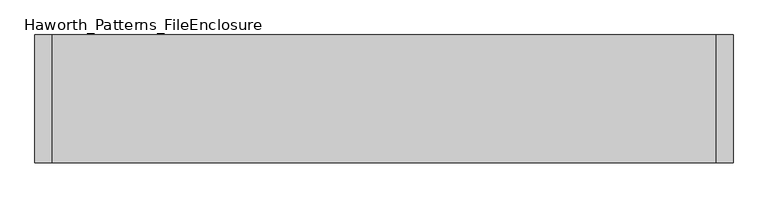
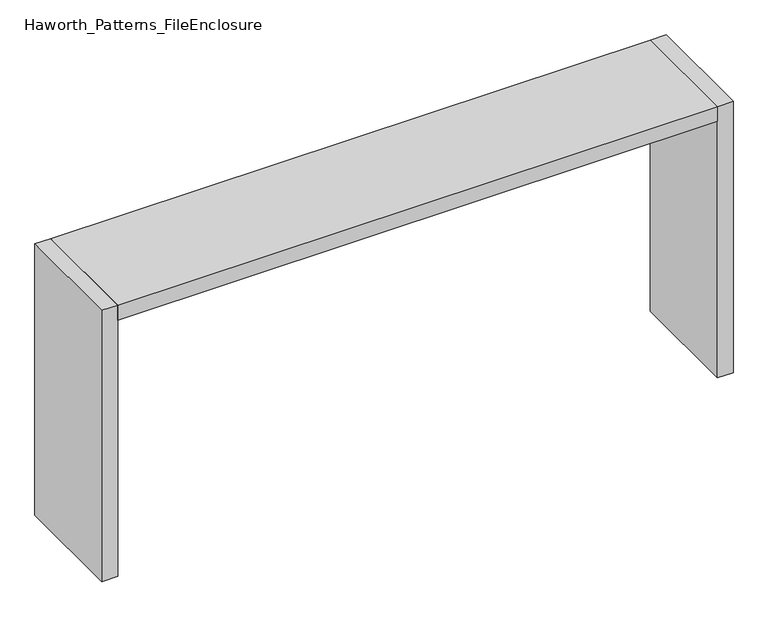
"""IFC4 building model written with IfcOpenShell, lengths in millimetres: furniture geometry, Haworth_Patterns_FileEnclosure."""

import ifcopenshell
import ifcopenshell.guid

model = None  # the IFC model being written
_history = None  # IfcOwnerHistory: only IFC2X3 demands one
_inside = {}  # id of a spatial element -> (the spatial element, [elements in it])
_under = {}  # id of a project, library or spatial element -> (it, [spatial elements below it])
_declared = {}  # id of a project -> (the project, [libraries it declares])
_typed = {}  # id of a type object -> (the type object, [elements of that type])
_made_of = {}  # id of a material, layer set ... -> (it, [elements and type objects made of it])


def new_model(schema):
    """Start an empty IFC model of exactly this schema.

    Asked for "IFC4X3", IfcOpenShell would pick the latest addendum, in which some entities
    have other attributes; the version numbers below select the first issue.
    IFC2X3 requires an IfcOwnerHistory on every rooted entity: one is made here for all.
    """
    global model, _history
    if schema == "IFC4X3":
        model = ifcopenshell.file(schema_version=(4, 3, 0, 0))
    else:
        model = ifcopenshell.file(schema=schema)
    _inside.clear()
    _under.clear()
    _declared.clear()
    _typed.clear()
    _made_of.clear()
    _history = None
    if model.schema == "IFC2X3":
        org = make("IfcOrganization", Name="unknown")
        user = make(
            "IfcPersonAndOrganization",
            ThePerson=make("IfcPerson", FamilyName="unknown"),
            TheOrganization=org,
        )
        app = make(
            "IfcApplication",
            ApplicationDeveloper=org,
            Version="unknown",
            ApplicationFullName="unknown",
            ApplicationIdentifier="unknown",
        )
        _history = make(
            "IfcOwnerHistory",
            OwningUser=user,
            OwningApplication=app,
            ChangeAction="ADDED",
            CreationDate=0,
        )
    return model


def make(cls, **values):
    """One entity of the class cls with the attributes given. An attribute that is None is left unset."""
    return model.create_entity(
        cls, **{name: value for name, value in values.items() if value is not None}
    )


def rooted(cls, **values):
    """An entity with a GlobalId (a new one), such as an element, a storey or a relation."""
    return make(cls, GlobalId=ifcopenshell.guid.new(), OwnerHistory=_history, **values)


def si_unit(unit_type, name, prefix=None):
    """IfcSIUnit, for example si_unit("LENGTHUNIT", "METRE", prefix="MILLI")."""
    return make("IfcSIUnit", UnitType=unit_type, Prefix=prefix, Name=name)


def assignment(units):
    """IfcUnitAssignment: the units of a project."""
    return None if units is None else make("IfcUnitAssignment", Units=units)


def point(xyz):
    """IfcCartesianPoint."""
    return None if xyz is None else make("IfcCartesianPoint", Coordinates=xyz)


def direction(xyz):
    """IfcDirection."""
    return None if xyz is None else make("IfcDirection", DirectionRatios=xyz)


def frame(location, z_axis=None, x_axis=None):
    """IfcAxis2Placement3D, a coordinate frame: its origin and axes. An axis left out is left unset."""
    return make(
        "IfcAxis2Placement3D",
        Location=point(location),
        Axis=direction(z_axis),
        RefDirection=direction(x_axis),
    )


def origin():
    """The frame at (0, 0, 0) with its axes left unset."""
    return frame((0.0, 0.0, 0.0))


def origin_with_axes():
    """The frame at (0, 0, 0) with the z axis (0, 0, 1) and the x axis (1, 0, 0) written out."""
    return frame((0.0, 0.0, 0.0), z_axis=(0.0, 0.0, 1.0), x_axis=(1.0, 0.0, 0.0))


def place(relative_to, where):
    """IfcLocalPlacement: puts the frame where relative to a parent placement (None: the world)."""
    return make(
        "IfcLocalPlacement", PlacementRelTo=relative_to, RelativePlacement=where
    )


def context(
    kind, dimensions, precision=None, world=None, true_north=None, identifier=None
):
    """IfcGeometricRepresentationContext, for example the 3D "Model" context."""
    return make(
        "IfcGeometricRepresentationContext",
        ContextIdentifier=identifier,
        ContextType=kind,
        CoordinateSpaceDimension=dimensions,
        Precision=precision,
        WorldCoordinateSystem=world,
        TrueNorth=true_north,
    )


def project(units=None, contexts=None):
    """IfcProject with its units and contexts."""
    return rooted(
        "IfcProject",
        Name="project",
        RepresentationContexts=contexts,
        UnitsInContext=assignment(units),
    )


def spatial(cls, under=None, at=None, **own):
    """A site, building, storey or space (cls), placed at a placement, below another one or the project."""
    s = rooted(cls, ObjectPlacement=at, **own)
    if under is not None:
        _under.setdefault(under.id(), (under, []))[1].append(s)
    return s


def polyline(points):
    """IfcPolyline through the points."""
    return make("IfcPolyline", Points=[point(p) for p in points])


def outline(outer, holes=None, kind="AREA"):
    """IfcArbitraryClosedProfileDef: a profile drawn as a closed curve; with holes, ...WithVoids."""
    if holes is None:
        return make("IfcArbitraryClosedProfileDef", ProfileType=kind, OuterCurve=outer)
    return make(
        "IfcArbitraryProfileDefWithVoids",
        ProfileType=kind,
        OuterCurve=outer,
        InnerCurves=holes,
    )


def extrude(swept, where, along, depth):
    """IfcExtrudedAreaSolid: the profile swept, set in the frame where, extruded along a direction by depth."""
    return make(
        "IfcExtrudedAreaSolid",
        SweptArea=swept,
        Position=where,
        ExtrudedDirection=direction(along),
        Depth=depth,
    )


def shape(context_of_items, identifier, shape_type, items):
    """IfcShapeRepresentation: the items that make up one representation, for example the "Body"."""
    return make(
        "IfcShapeRepresentation",
        ContextOfItems=context_of_items,
        RepresentationIdentifier=identifier,
        RepresentationType=shape_type,
        Items=items,
    )


def source(mapping_origin, context_of_items, identifier, shape_type, items):
    """IfcRepresentationMap: a shape defined once, which mapped items show again and again."""
    return make(
        "IfcRepresentationMap",
        MappingOrigin=mapping_origin,
        MappedRepresentation=shape(context_of_items, identifier, shape_type, items),
    )


def transform(
    local_origin,
    x_axis=None,
    y_axis=None,
    z_axis=None,
    scale=None,
    scale2=None,
    scale3=None,
    uniform=True,
):
    """IfcCartesianTransformationOperator3D, or its non-uniform kind. x_axis, y_axis, z_axis: its Axis1, 2, 3."""
    if uniform:
        return make(
            "IfcCartesianTransformationOperator3D",
            Axis1=direction(x_axis),
            Axis2=direction(y_axis),
            LocalOrigin=point(local_origin),
            Scale=scale,
            Axis3=direction(z_axis),
        )
    return make(
        "IfcCartesianTransformationOperator3DnonUniform",
        Axis1=direction(x_axis),
        Axis2=direction(y_axis),
        LocalOrigin=point(local_origin),
        Scale=scale,
        Axis3=direction(z_axis),
        Scale2=scale2,
        Scale3=scale3,
    )


def mapped(mapping_source, mapping_target):
    """IfcMappedItem: shows the shape of a source again, moved by a transform."""
    return make(
        "IfcMappedItem", MappingSource=mapping_source, MappingTarget=mapping_target
    )


def made_of(thing, what):
    """Note that an element or type object is made of a material, layer set ...; save() writes the relation."""
    if what is not None:
        _made_of.setdefault(what.id(), (what, []))[1].append(thing)
    return thing


def element(
    cls,
    number,
    at=None,
    inside=None,
    cuts=None,
    type_object=None,
    material=None,
    context=None,
    identifier="Body",
    shape_type=None,
    held_by="IfcProductDefinitionShape",
    body=None,
    shapes=None,
    **own,
):
    """One element of the class cls, such as IfcWall. Its Tag is "e" and its number.

    at: its placement. inside: the storey or other place that contains it. cuts: it is an
    opening in that element (IfcRelVoidsElement). A single representation is given by context,
    identifier, shape_type and body (its items); several are given by shapes. held_by: the class
    of the entity that holds the representations. save() writes the other relations.
    """
    e = rooted(cls, Tag="e%d" % number, ObjectPlacement=at, **own)
    if body is not None:
        shapes = [shape(context, identifier, shape_type, body)]
    if shapes is not None:
        e.Representation = make(held_by, Representations=shapes)
    if inside is not None:
        _inside.setdefault(inside.id(), (inside, []))[1].append(e)
    if cuts is not None:
        rooted(
            "IfcRelVoidsElement", RelatingBuildingElement=cuts, RelatedOpeningElement=e
        )
    if type_object is not None:
        _typed.setdefault(type_object.id(), (type_object, []))[1].append(e)
    return made_of(e, material)


def aggregate(whole, parts):
    """IfcRelAggregates: a whole, such as a stair, and the parts it consists of."""
    return rooted("IfcRelAggregates", RelatingObject=whole, RelatedObjects=parts)


def save(model, path):
    """Write the relations noted so far, then the file.

    IfcRelAggregates (storeys below a building ...), IfcRelContainedInSpatialStructure (elements
    in a storey), IfcRelDefinesByType, IfcRelAssociatesMaterial and IfcRelDeclares: one each for
    every whole, place, type object, material and project.
    """
    for whole, parts in _under.values():
        aggregate(whole, parts)
    for where, things in _inside.values():
        rooted(
            "IfcRelContainedInSpatialStructure",
            RelatedElements=things,
            RelatingStructure=where,
        )
    for kind, things in _typed.values():
        rooted("IfcRelDefinesByType", RelatedObjects=things, RelatingType=kind)
    for what, things in _made_of.values():
        rooted("IfcRelAssociatesMaterial", RelatedObjects=things, RelatingMaterial=what)
    for by, libraries in _declared.values():
        rooted("IfcRelDeclares", RelatingContext=by, RelatedDefinitions=libraries)
    model.write(path)


def haworth_patterns_fileenclosure_183e7d89(model_context):
    return source(origin(), model_context, "Body", "SweptSolid", [
        extrude(outline(polyline([(1447.8, 0.0), (1447.8, -558.8), (-1447.8, -558.8), (-1447.8, 0.0), (1447.8, 0.0)])), frame((0.0, 0.0, 1308.1), z_axis=(0.0, 0.0, 1.0), x_axis=(1.0, 0.0, 0.0)), (0.0, 0.0, 1.0), 76.2),
        extrude(outline(polyline([(1447.8, 0.0), (1524.0, 0.0), (1524.0, -558.8), (1447.8, -558.8), (1447.8, 0.0)])), origin_with_axes(), (0.0, 0.0, 1.0), 1384.3),
        extrude(outline(polyline([(-1447.8, 0.0), (-1447.8, -558.8), (-1524.0, -558.8), (-1524.0, 0.0), (-1447.8, 0.0)])), origin_with_axes(), (0.0, 0.0, 1.0), 1384.3),
    ])


if __name__ == "__main__":
    model = new_model("IFC4")
    model_context = context("Model", 3, world=origin())
    ifc_project = project(units=[si_unit("LENGTHUNIT", "METRE", prefix="MILLI")], contexts=[model_context])
    site = spatial("IfcSite", under=ifc_project)
    building = spatial("IfcBuilding", under=site)
    placement = place(None, origin())
    haworth_patterns_fileenclosure_shape = haworth_patterns_fileenclosure_183e7d89(model_context)
    element("IfcFurniture", 1, ObjectType="Haworth_Patterns_FileEnclosure", at=placement, inside=building, context=model_context, shape_type="MappedRepresentation", body=[
        mapped(haworth_patterns_fileenclosure_shape, transform((0.0, 0.0, 0.0), x_axis=(1.0, 0.0, 0.0), y_axis=(0.0, 1.0, 0.0), z_axis=(0.0, 0.0, 1.0))),
    ])
    save(model, "model.ifc")
